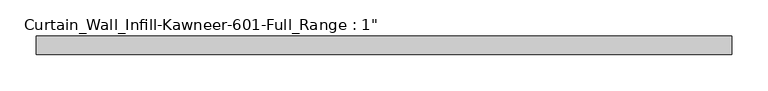
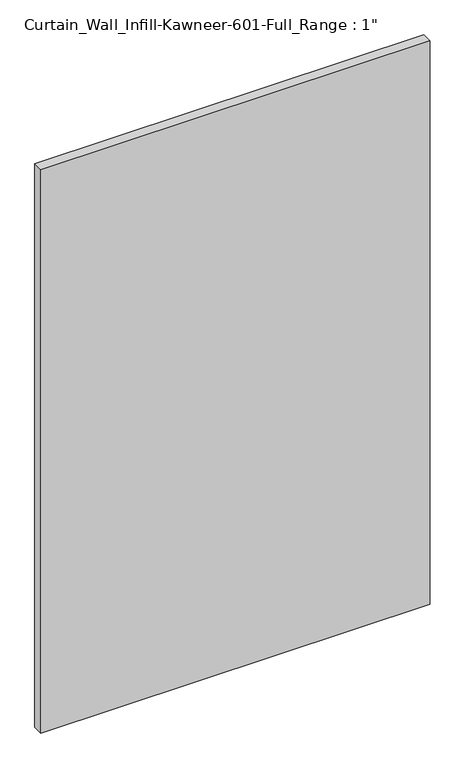
"""IFC4 building model written with IfcOpenShell, lengths in millimetres: plate geometry."""

from ifc_helpers import new_model, si_unit, origin, origin_with_axes, place, context, project, spatial, polyline, outline, extrude, source, transform, mapped, element, save


def plate_fa82669d(model_context):
    return source(origin(), model_context, "Body", "SweptSolid", [
        extrude(outline(polyline([(-479.425, -12.7), (-479.425, 12.7), (479.425, 12.7), (479.425, -12.7), (-479.425, -12.7)])), origin_with_axes(), (0.0, 0.0, 1.0), 1466.85),
    ])


if __name__ == "__main__":
    model = new_model("IFC4")
    model_context = context("Model", 3, world=origin())
    ifc_project = project(units=[si_unit("LENGTHUNIT", "METRE", prefix="MILLI")], contexts=[model_context])
    site = spatial("IfcSite", under=ifc_project)
    building = spatial("IfcBuilding", under=site)
    placement = place(None, origin())
    plate_shape = plate_fa82669d(model_context)
    element("IfcPlate", 1, ObjectType="Curtain_Wall_Infill-Kawneer-601-Full_Range : 1\"", at=placement, inside=building, context=model_context, shape_type="MappedRepresentation", body=[
        mapped(plate_shape, transform((0.0, 0.0, 0.0), x_axis=(1.0, 0.0, 0.0), y_axis=(0.0, 1.0, 0.0), z_axis=(0.0, 0.0, 1.0))),
    ])
    save(model, "model.ifc")
